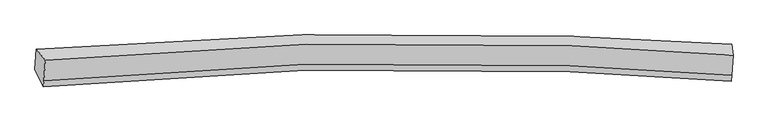
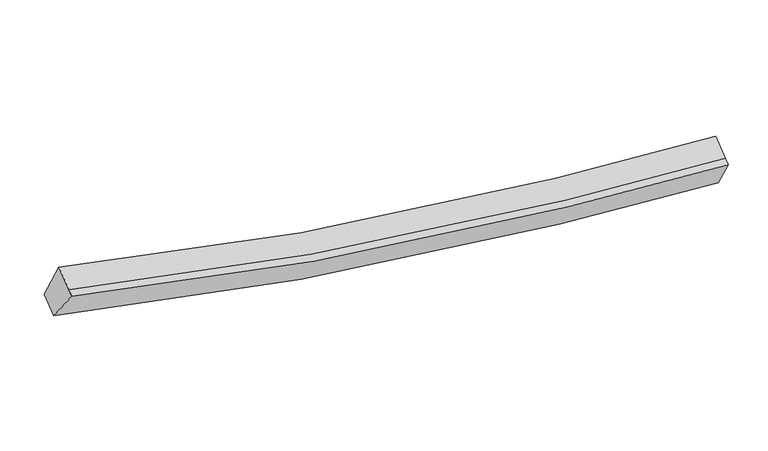
"""IFC4 building model written with IfcOpenShell, lengths in millimetres: proxy geometry."""

from ifc_helpers import new_model, si_unit, frame, origin, place, context, project, spatial, source, transform, mapped, element, save
from ifc_brep_helpers import plane_surface, spline_curve, spline_surface, advanced_brep


def generic_models_e53cc179(model_context):
    return source(origin(), model_context, "Body", "AdvancedBrep", [
        advanced_brep(
        [(-7756.8794595, -1841.3205817, 4197.0020276), (-7577.1327499, -2053.8197202, 4858.3297619), (6128.165417, -1951.856688, 2878.1166781), (6106.3750746, -1740.8082649, 2203.4324358), (-7607.3925401, -2460.3923927, 4623.8785105), (6098.452752, -2351.0781481, 2647.9045235), (-7616.4002983, -2581.4212662, 4554.0868773), (6089.4449938, -2472.1070216, 2578.1128903), (-7786.0106482, -2232.7292858, 3971.2951203), (6077.6462058, -2126.8113687, 1980.8426829)],
        [
            (0, 1),
            (1, 2, spline_curve(3, [(-7577.1327499, -2053.8197202, 4858.3297619), (-4124.347680977, -1729.634870549, 3811.217795326), (-626.414008182, -1634.553821552, 3178.983391975), (3983.077259917, -1808.915200327, 2896.205747823), (5053.57630967, -1870.008571288, 2868.369123227), (6128.165417, -1951.856688, 2878.1166781)], [4, 2, 4], [0.0, 35.23547191648836, 45.840764469138215])),
            (2, 3),
            (3, 0, spline_curve(3, [(6106.3750746, -1740.8082649, 2203.4324358), (5026.921592486, -1666.590657593, 2219.3967711), (3949.865437883, -1611.336590138, 2267.235116429), (-695.285269215, -1454.472880229, 2611.787165098), (-4239.313959015, -1543.231053254, 3228.472017874), (-7756.8794595, -1841.3205817, 4197.0020276)], [4, 2, 4], [0.0, 10.605292552649857, 45.840764469138215])),
            (1, 4),
            (4, 5, spline_curve(3, [(-7607.3925401, -2460.3923927, 4623.8785105), (-4153.659001813, -2123.463841766, 3584.115234381), (-655.398149463, -2023.986777597, 2954.415806613), (3953.710488592, -2203.48921096, 2668.67355752), (5024.06473301, -2266.528193993, 2639.714990659), (6098.452752, -2351.0781481, 2647.9045235)], [4, 2, 4], [0.0, 35.0543412877978, 45.60511652584884])),
            (5, 2),
            (4, 6),
            (6, 7, spline_curve(3, [(-7616.4002983, -2581.4212662, 4554.0868773), (-4162.666759989, -2244.49271533, 3514.323601936), (-664.405907486, -2145.015650883, 2884.624173316), (3944.702730338, -2324.518084525, 2598.881924219), (5015.056974766, -2387.557067724, 2569.923357477), (6089.4449938, -2472.1070216, 2578.1128903)], [4, 2, 4], [0.0, 35.054308092783366, 45.60507333968572])),
            (7, 5),
            (6, 8),
            (8, 9, spline_curve(3, [(-7786.0106482, -2232.7292858, 3971.2951203), (-4270.769694208, -1965.872533868, 2984.754643568), (-727.199556805, -1883.275501905, 2364.516952847), (3919.782208455, -2015.536976745, 2034.151850069), (4997.431022547, -2062.828035247, 1990.90539627), (6077.6462058, -2126.8113687, 1980.8426829)], [4, 2, 4], [0.0, 35.23555346601085, 45.84087056371422])),
            (9, 7),
            (8, 0),
            (3, 9),
        ],
        [
            spline_surface(3, 3, [[(-7756.8794595, -1841.3205817, 4197.0020276), (-4239.313959176, -1543.23105337, 3228.472017667), (-695.285269195, -1454.472880263, 2611.787165458), (3949.865437877, -1611.336590127, 2267.235116321), (5026.921592658, -1666.590657641, 2219.396771237), (6106.3750746, -1740.8082649, 2203.4324358)], [(-7696.963889638, -1912.153627877, 4417.444605715), (-4200.991866481, -1605.365659128, 3422.72061038), (-672.328182237, -1514.499860899, 2800.852574373), (3960.936045263, -1677.196126816, 2476.891993448), (5035.80649832, -1734.396628847, 2435.720888598), (6113.638522083, -1811.157739265, 2428.327183219)], [(-7637.048319762, -1982.986674023, 4637.887183785), (-4162.669773773, -1667.500264854, 3616.969203049), (-649.371095337, -1574.526841494, 2989.917983327), (3972.006652591, -1743.055663464, 2686.548870615), (5044.691403934, -1802.202600057, 2652.045006002), (6120.901969517, -1881.507213635, 2653.221930681)], [(-7577.1327499, -2053.8197202, 4858.3297619), (-4124.347681078, -1729.634870612, 3811.217795762), (-626.41400838, -1634.55382213, 3178.983392242), (3983.077259977, -1808.915200153, 2896.205747742), (5053.576309597, -1870.008571263, 2868.369123363), (6128.165417, -1951.856688, 2878.1166781)]], [4, 4], [4, 2, 4], [0.0, 2.0397164454212247], [0.0, 35.23547191648836, 45.840764469138215]),
            spline_surface(3, 3, [[(-7577.1327499, -2053.8197202, 4858.3297619), (-4124.347681078, -1729.634870612, 3811.217795762), (-626.41400838, -1634.55382213, 3178.983392242), (3983.077259977, -1808.915200153, 2896.205747742), (5053.576309597, -1870.008571263, 2868.369123363), (6128.165417, -1951.856688, 2878.1166781)], [(-7587.219346634, -2189.343944362, 4780.179344767), (-4134.118121358, -1860.911194383, 3735.516942089), (-636.075388594, -1764.364807183, 3104.127530177), (3973.288336131, -1940.439870416, 2820.36168438), (5043.739117372, -2002.181778869, 2792.151079156), (6118.261195324, -2084.930508031, 2801.379293258)], [(-7597.305943366, -2324.868168538, 4702.028927633), (-4143.888561635, -1992.187518169, 3659.816088415), (-645.736768793, -1894.17579232, 3029.271668138), (3963.499412301, -2071.964540765, 2744.517621045), (5033.901925175, -2134.35498648, 2715.933034877), (6108.356973676, -2218.004328069, 2724.641908342)], [(-7607.3925401, -2460.3923927, 4623.8785105), (-4153.659001915, -2123.463841941, 3584.115234742), (-655.398149008, -2023.986777372, 2954.415806073), (3953.710488455, -2203.489211028, 2668.673557683), (5024.06473295, -2266.528194085, 2639.71499067), (6098.452752, -2351.0781481, 2647.9045235)]], [4, 4], [4, 2, 4], [0.0, 1.4888220434829942], [0.0, 35.0543412877978, 45.60511652584884]),
            spline_surface(3, 3, [[(-7607.3925401, -2460.3923927, 4623.8785105), (-4153.659001915, -2123.463841941, 3584.115234742), (-655.398149008, -2023.986777372, 2954.415806073), (3953.710488455, -2203.489211028, 2668.673557683), (5024.06473295, -2266.528194085, 2639.71499067), (6098.452752, -2351.0781481, 2647.9045235)], [(-7610.395126164, -2500.735350533, 4600.61463275), (-4156.661587979, -2163.806799774, 3560.851356992), (-658.400735071, -2064.329735206, 2931.151928323), (3950.707902391, -2243.832168861, 2645.409679933), (5021.062146887, -2306.871151919, 2616.45111292), (6095.450165936, -2391.421105933, 2624.64064575)], [(-7613.397712236, -2541.078308367, 4577.35075505), (-4159.664174051, -2204.149757607, 3537.587479292), (-661.403321144, -2104.672693039, 2907.888050523), (3947.705316318, -2284.175126695, 2622.145802133), (5018.059560814, -2347.214109752, 2593.18723522), (6092.447579864, -2431.764063767, 2601.37676805)], [(-7616.4002983, -2581.4212662, 4554.0868773), (-4162.666760115, -2244.492715441, 3514.323601542), (-664.405907208, -2145.015650872, 2884.624172773), (3944.702730255, -2324.518084528, 2598.881924383), (5015.05697475, -2387.557067585, 2569.92335747), (6089.4449938, -2472.1070216, 2578.1128903)]], [4, 4], [4, 2, 4], [0.0, 0.4593175853018439], [0.0, 35.054308092783366, 45.60507333968572]),
            spline_surface(3, 3, [[(-7616.4002983, -2581.4212662, 4554.0868773), (-4162.666760115, -2244.492715441, 3514.323601542), (-664.405907208, -2145.015650872, 2884.624172773), (3944.702730255, -2324.518084528, 2598.881924383), (5015.05697475, -2387.557067585, 2569.92335747), (6089.4449938, -2472.1070216, 2578.1128903)], [(-7672.937081621, -2465.190606074, 4359.822958306), (-4198.701071689, -2151.619321414, 3337.800615747), (-685.337123907, -2057.768934747, 2711.255099298), (3936.395889711, -2221.524381889, 2410.638566328), (5009.181657331, -2279.314056763, 2376.917370379), (6085.512064479, -2357.008470628, 2379.022821158)], [(-7729.473864879, -2348.959945926, 4165.559039294), (-4234.735383201, -2058.745927364, 3161.277629934), (-706.268340619, -1970.522218588, 2537.886025825), (3928.089049153, -2118.530679217, 2222.395208274), (5003.306339874, -2171.071045957, 2183.911383315), (6081.579135121, -2241.909919672, 2179.932752042)], [(-7786.0106482, -2232.7292858, 3971.2951203), (-4270.769694775, -1965.872533338, 2984.754644139), (-727.199557318, -1883.275502462, 2364.51695235), (3919.782208609, -2015.536976578, 2034.151850219), (4997.431022455, -2062.828035135, 1990.905396224), (6077.6462058, -2126.8113687, 1980.8426829)]], [4, 4], [4, 2, 4], [0.0, 1.9921287337596312], [0.0, 35.23555346601085, 45.84087056371422]),
            spline_surface(3, 3, [[(-7786.0106482, -2232.7292858, 3971.2951203), (-4270.769694775, -1965.872533338, 2984.754644139), (-727.199557318, -1883.275502462, 2364.51695235), (3919.782208609, -2015.536976578, 2034.151850219), (4997.431022455, -2062.828035135, 1990.905396224), (6077.6462058, -2126.8113687, 1980.8426829)], [(-7776.300251943, -2102.259717754, 4046.530756062), (-4260.284449552, -1824.992040002, 3065.993768644), (-716.561461299, -1740.341295066, 2446.940356725), (3929.809951677, -1880.803514431, 2111.846272258), (5007.2612125, -1930.748909312, 2067.069187911), (6087.222495377, -1998.143667442, 2055.039267216)], [(-7766.589855757, -1971.790149746, 4121.766391838), (-4249.799204399, -1684.111546706, 3147.232893162), (-705.923365214, -1597.407087659, 2529.363761083), (3939.83769481, -1746.070052274, 2189.540694281), (5017.091402613, -1798.669783464, 2143.23297955), (6096.798785023, -1869.475966158, 2129.235851484)], [(-7756.8794595, -1841.3205817, 4197.0020276), (-4239.313959176, -1543.23105337, 3228.472017667), (-695.285269195, -1454.472880263, 2611.787165458), (3949.865437877, -1611.336590127, 2267.235116321), (5026.921592658, -1666.590657641, 2219.396771237), (6106.3750746, -1740.8082649, 2203.4324358)]], [4, 4], [4, 2, 4], [0.0, 1.5959652717297705], [0.0, 35.41812396773882, 46.07839175794031]),
            plane_surface(frame((6100.4079228, -2072.8958358, 2410.1261718), z_axis=(0.9977814487695128, -0.04716986460320487, -0.04698068076058011), x_axis=(-0.017099692699099327, 0.5004284824866769, -0.8656089962712253))),
            plane_surface(frame((-7684.105789, -2177.3227135, 4395.1784468), z_axis=(-0.9680654351463047, -0.06722179711845477, 0.24151716971503537), x_axis=(-0.06434112993266312, -0.8644919535712189, -0.4985116660717238))),
        ],
        [
            (0, [[1, 2, 3, 4]]),
            (1, [[5, 6, 7, -2]]),
            (2, [[8, 9, 10, -6]]),
            (3, [[11, 12, 13, -9]]),
            (4, [[14, -4, 15, -12]]),
            (5, [[-13, -15, -3, -7, -10]]),
            (6, [[-14, -11, -8, -5, -1]]),
        ],
    ),
    ])


if __name__ == "__main__":
    model = new_model("IFC4")
    model_context = context("Model", 3, world=origin())
    ifc_project = project(units=[si_unit("LENGTHUNIT", "METRE", prefix="MILLI")], contexts=[model_context])
    site = spatial("IfcSite", under=ifc_project)
    building = spatial("IfcBuilding", under=site)
    placement = place(None, origin())
    generic_models_shape = generic_models_e53cc179(model_context)
    element("IfcBuildingElementProxy", 1, Name="Generic Models", at=placement, inside=building, context=model_context, shape_type="MappedRepresentation", body=[
        mapped(generic_models_shape, transform((0.0, 0.0, 0.0), x_axis=(1.0, 0.0, 0.0), y_axis=(0.0, 1.0, 0.0), z_axis=(0.0, 0.0, 1.0))),
    ])
    save(model, "model.ifc")
